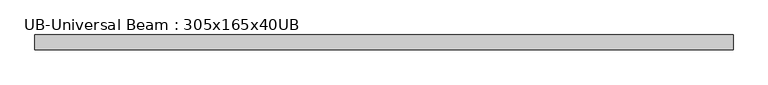
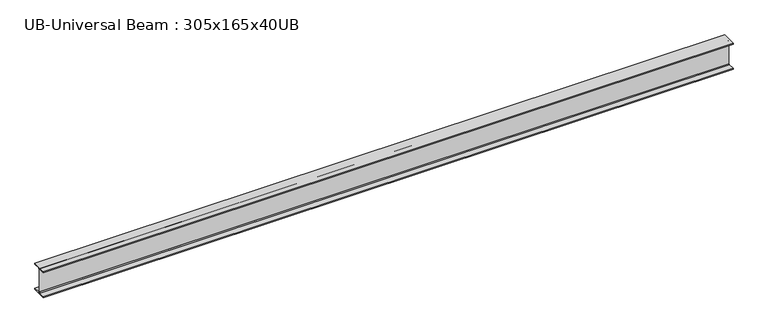
"""IFC4 building model written with IfcOpenShell, lengths in millimetres: beam geometry, UB-Universal Beam : 305x165x40UB."""

from ifc_helpers import new_model, si_unit, point, frame, frame_2d, origin, place, context, project, spatial, polyline, circle_curve, trimmed, segment, composite_curve, outline, extrude, source, transform, mapped, element, save


def ub_universal_beam_305x165x40ub_7caf9dd6(model_context):
    return source(origin(), model_context, "Body", "SweptSolid", [
        extrude(outline(composite_curve([segment(polyline([(82.5, -141.5), (82.5, -151.7), (-82.5, -151.7), (-82.5, -141.5), (-11.9, -141.5)]), True, "CONTINUOUS"), segment(trimmed(circle_curve(frame_2d((-11.9, -132.6)), 8.9), [point((-11.9, -141.5))], [point((-3.0, -132.6))], True, "CARTESIAN"), True, "CONTINUOUS"), segment(polyline([(-3.0, -132.6), (-3.0, 132.6)]), True, "CONTINUOUS"), segment(trimmed(circle_curve(frame_2d((-11.9, 132.6)), 8.9), [point((-3.0, 132.6))], [point((-11.9, 141.5))], True, "CARTESIAN"), True, "CONTINUOUS"), segment(polyline([(-11.9, 141.5), (-82.5, 141.5), (-82.5, 151.7), (82.5, 151.7), (82.5, 141.5), (11.9, 141.5)]), True, "CONTINUOUS"), segment(trimmed(circle_curve(frame_2d((11.9, 132.6)), 8.9), [point((11.9, 141.5))], [point((3.0, 132.6))], True, "CARTESIAN"), True, "CONTINUOUS"), segment(polyline([(3.0, 132.6), (3.0, -132.6)]), True, "CONTINUOUS"), segment(trimmed(circle_curve(frame_2d((11.9, -132.6)), 8.9), [point((3.0, -132.6))], [point((11.9, -141.5))], True, "CARTESIAN"), True, "CONTINUOUS"), segment(polyline([(11.9, -141.5), (82.5, -141.5)]), True, "CONTINUOUS")], self_intersect=False)), frame((-3826.1341559, 0.0, 0.0), z_axis=(1.0, 0.0, 0.0), x_axis=(0.0, 1.0, 0.0)), (0.0, 0.0, 1.0), 7659.8169244),
    ])


if __name__ == "__main__":
    model = new_model("IFC4")
    model_context = context("Model", 3, world=origin())
    ifc_project = project(units=[si_unit("LENGTHUNIT", "METRE", prefix="MILLI")], contexts=[model_context])
    site = spatial("IfcSite", under=ifc_project)
    building = spatial("IfcBuilding", under=site)
    placement = place(None, origin())
    ub_universal_beam_305x165x40ub_shape = ub_universal_beam_305x165x40ub_7caf9dd6(model_context)
    element("IfcBeam", 1, ObjectType="UB-Universal Beam : 305x165x40UB", at=placement, inside=building, context=model_context, shape_type="MappedRepresentation", body=[
        mapped(ub_universal_beam_305x165x40ub_shape, transform((0.0, 0.0, 0.0), x_axis=(1.0, 0.0, 0.0), y_axis=(0.0, 1.0, 0.0), z_axis=(0.0, 0.0, 1.0))),
    ])
    save(model, "model.ifc")
